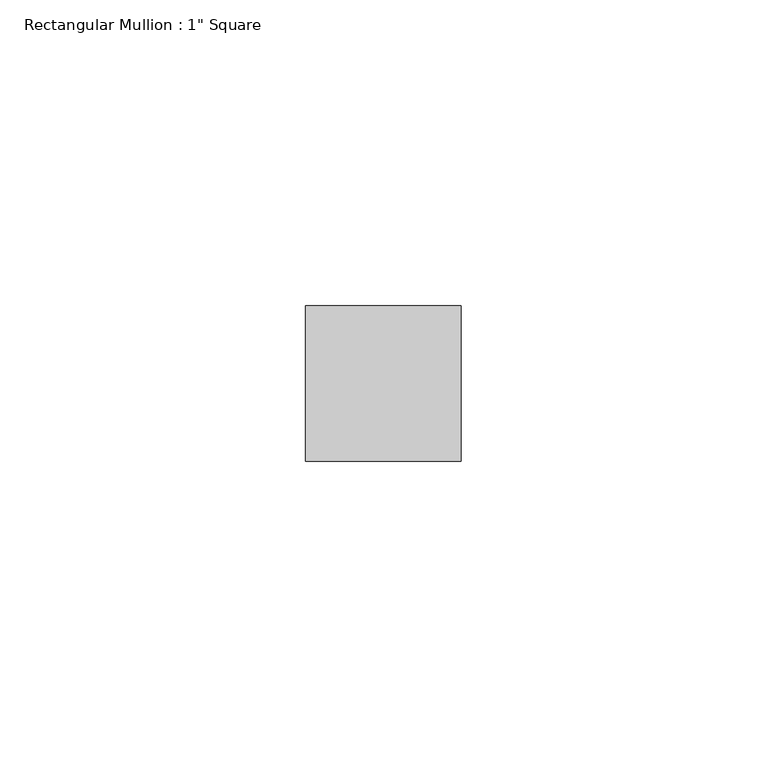
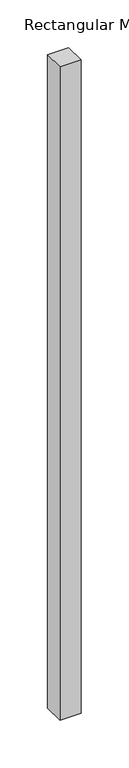
"""IFC4 building model written with IfcOpenShell, lengths in millimetres: member geometry."""

from ifc_helpers import new_model, si_unit, frame, origin, place, context, project, spatial, polyline, outline, extrude, source, transform, mapped, element, save


def member_50c49413(model_context):
    return source(origin(), model_context, "Body", "SweptSolid", [
        extrude(outline(polyline([(0.0, 12.7), (0.0, -12.7), (-25.4, -12.7), (-25.4, 12.7), (0.0, 12.7)])), frame((0.0, 0.0, -832.579167), z_axis=(0.0, 0.0, 1.0), x_axis=(1.0, 0.0, 0.0)), (0.0, 0.0, 1.0), 832.579167),
    ])


if __name__ == "__main__":
    model = new_model("IFC4")
    model_context = context("Model", 3, world=origin())
    ifc_project = project(units=[si_unit("LENGTHUNIT", "METRE", prefix="MILLI")], contexts=[model_context])
    site = spatial("IfcSite", under=ifc_project)
    building = spatial("IfcBuilding", under=site)
    placement = place(None, origin())
    member_shape = member_50c49413(model_context)
    element("IfcMember", 1, ObjectType="Rectangular Mullion : 1\" Square", at=placement, inside=building, context=model_context, shape_type="MappedRepresentation", body=[
        mapped(member_shape, transform((0.0, 0.0, 0.0), x_axis=(1.0, 0.0, 0.0), y_axis=(0.0, 1.0, 0.0), z_axis=(0.0, 0.0, 1.0))),
    ])
    save(model, "model.ifc")
